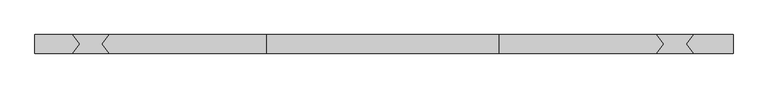
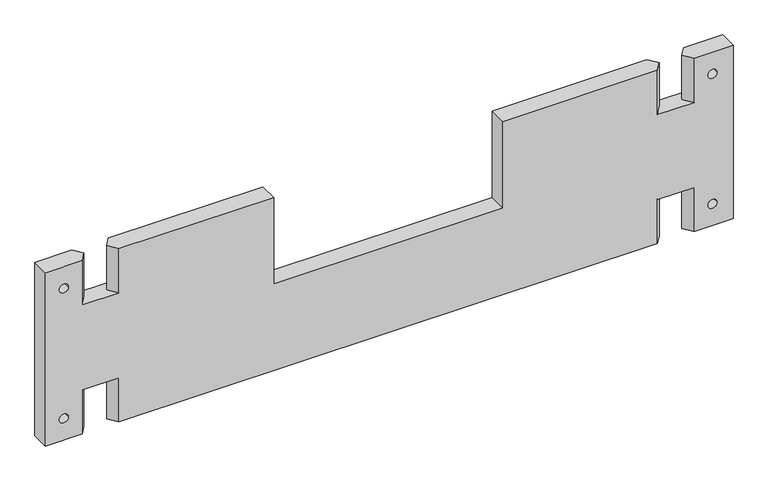
"""IFC4 building model written with IfcOpenShell, lengths in millimetres: proxy geometry."""

from ifc_helpers import new_model, si_unit, frame, origin, place, context, project, spatial, polyline, circle_curve, source, transform, mapped, element, save
from ifc_brep_helpers import plane_surface, revolved_surface, advanced_brep


def generic_models_ea66bd3d(model_context):
    return source(origin(), model_context, "Body", "AdvancedBrep", [
        advanced_brep(
        [(-747.5379144, 20.0, 400.0), (-747.5379144, -20.0, 400.0), (-667.5379144, -20.0, 400.0), (-652.4668334, 0.0, 400.0), (-667.5379144, 20.0, 400.0), (752.4620856, -20.0, 400.0), (752.4620856, 20.0, 400.0), (667.5379144, 20.0, 400.0), (652.4668334, 0.0, 400.0), (667.5379144, -20.0, 400.0), (-602.6089954, 0.0, 400.0), (-587.5379144, -20.0, 400.0), (-250.0, -20.0, 400.0), (-250.0, 20.0, 400.0), (-587.5379144, 20.0, 400.0), (587.5379144, -20.0, 400.0), (602.6089954, 0.0, 400.0), (587.5379144, 20.0, 400.0), (250.0, 20.0, 400.0), (250.0, -20.0, 400.0), (752.4620856, 20.0, 0.0), (752.4620856, -20.0, 0.0), (667.5379144, -20.0, 0.0), (652.4668334, 0.0, 0.0), (667.5379144, 20.0, 0.0), (-747.5379144, -20.0, 0.0), (-747.5379144, 20.0, 0.0), (-667.5379144, 20.0, 0.0), (-652.4668334, 0.0, 0.0), (-667.5379144, -20.0, 0.0), (-587.5379144, -20.0, 0.0), (-602.6089954, 0.0, 0.0), (-587.5379144, 20.0, 0.0), (587.5379144, 20.0, 0.0), (602.6089954, 0.0, 0.0), (587.5379144, -20.0, 0.0), (667.5379144, 20.0, 102.0), (587.5379144, 20.0, 102.0), (-587.5379144, 20.0, 102.0), (-667.5379144, 20.0, 102.0), (-667.5379144, 20.0, 298.0), (-587.5379144, 20.0, 298.0), (-250.0, 20.0, 200.0), (250.0, 20.0, 200.0), (587.5379144, 20.0, 298.0), (667.5379144, 20.0, 298.0), (-717.5379144, 20.0, 50.0), (-697.5379144, 20.0, 50.0), (697.5379144, 20.0, 50.0), (717.5379144, 20.0, 50.0), (-697.5379144, 20.0, 350.0), (-717.5379144, 20.0, 350.0), (717.5379144, 20.0, 350.0), (697.5379144, 20.0, 350.0), (-667.5379144, -20.0, 102.0), (-587.5379144, -20.0, 102.0), (587.5379144, -20.0, 102.0), (667.5379144, -20.0, 102.0), (667.5379144, -20.0, 298.0), (587.5379144, -20.0, 298.0), (250.0, -20.0, 200.0), (-250.0, -20.0, 200.0), (-587.5379144, -20.0, 298.0), (-667.5379144, -20.0, 298.0), (-697.5379144, -20.0, 50.0), (-717.5379144, -20.0, 50.0), (717.5379144, -20.0, 50.0), (697.5379144, -20.0, 50.0), (-717.5379144, -20.0, 350.0), (-697.5379144, -20.0, 350.0), (697.5379144, -20.0, 350.0), (717.5379144, -20.0, 350.0), (-602.6089954, 0.0, 102.0), (-652.4668334, 0.0, 102.0), (652.4668334, 0.0, 102.0), (602.6089954, 0.0, 102.0), (-652.4668334, 0.0, 298.0), (-602.6089954, 0.0, 298.0), (602.6089954, 0.0, 298.0), (652.4668334, 0.0, 298.0)],
        [
            (0, 1),
            (1, 2),
            (2, 3),
            (3, 4),
            (4, 0),
            (5, 6),
            (6, 7),
            (7, 8),
            (8, 9),
            (9, 5),
            (10, 11),
            (11, 12),
            (12, 13),
            (13, 14),
            (14, 10),
            (15, 16),
            (16, 17),
            (17, 18),
            (18, 19),
            (19, 15),
            (20, 21),
            (21, 22),
            (22, 23),
            (23, 24),
            (24, 20),
            (25, 26),
            (26, 27),
            (27, 28),
            (28, 29),
            (29, 25),
            (30, 31),
            (31, 32),
            (32, 33),
            (33, 34),
            (34, 35),
            (35, 30),
            (6, 20),
            (24, 36),
            (36, 37),
            (37, 33),
            (32, 38),
            (38, 39),
            (39, 27),
            (26, 0),
            (4, 40),
            (40, 41),
            (41, 14),
            (13, 42),
            (42, 43),
            (43, 18),
            (17, 44),
            (44, 45),
            (45, 7),
            (46, 47, circle_curve(frame((-707.5379144, 20.0, 50.0), z_axis=(0.0, -1.0, 0.0), x_axis=(1.0, 0.0, 0.0)), 10.0)),
            (47, 46, circle_curve(frame((-707.5379144, 20.0, 50.0), z_axis=(0.0, -1.0, 0.0), x_axis=(1.0, 0.0, 0.0)), 10.0)),
            (48, 49, circle_curve(frame((707.5379144, 20.0, 50.0), z_axis=(0.0, -1.0, 0.0), x_axis=(-1.0, 0.0, 0.0)), 10.0)),
            (49, 48, circle_curve(frame((707.5379144, 20.0, 50.0), z_axis=(0.0, -1.0, 0.0), x_axis=(-1.0, 0.0, 0.0)), 10.0)),
            (50, 51, circle_curve(frame((-707.5379144, 20.0, 350.0), z_axis=(0.0, -1.0, 0.0), x_axis=(1.0, 0.0, 0.0)), 10.0)),
            (51, 50, circle_curve(frame((-707.5379144, 20.0, 350.0), z_axis=(0.0, -1.0, 0.0), x_axis=(1.0, 0.0, 0.0)), 10.0)),
            (52, 53, circle_curve(frame((707.5379144, 20.0, 350.0), z_axis=(0.0, -1.0, 0.0), x_axis=(-1.0, 0.0, 0.0)), 10.0)),
            (53, 52, circle_curve(frame((707.5379144, 20.0, 350.0), z_axis=(0.0, -1.0, 0.0), x_axis=(-1.0, 0.0, 0.0)), 10.0)),
            (25, 1),
            (29, 54),
            (54, 55),
            (55, 30),
            (35, 56),
            (56, 57),
            (57, 22),
            (21, 5),
            (9, 58),
            (58, 59),
            (59, 15),
            (19, 60),
            (60, 61),
            (61, 12),
            (11, 62),
            (62, 63),
            (63, 2),
            (64, 65, circle_curve(frame((-707.5379144, -20.0, 50.0), z_axis=(0.0, 1.0, 0.0), x_axis=(1.0, 0.0, 0.0)), 10.0)),
            (65, 64, circle_curve(frame((-707.5379144, -20.0, 50.0), z_axis=(0.0, 1.0, 0.0), x_axis=(1.0, 0.0, 0.0)), 10.0)),
            (66, 67, circle_curve(frame((707.5379144, -20.0, 50.0), z_axis=(0.0, 1.0, 0.0), x_axis=(-1.0, 0.0, 0.0)), 10.0)),
            (67, 66, circle_curve(frame((707.5379144, -20.0, 50.0), z_axis=(0.0, 1.0, 0.0), x_axis=(-1.0, 0.0, 0.0)), 10.0)),
            (68, 69, circle_curve(frame((-707.5379144, -20.0, 350.0), z_axis=(0.0, 1.0, 0.0), x_axis=(1.0, 0.0, 0.0)), 10.0)),
            (69, 68, circle_curve(frame((-707.5379144, -20.0, 350.0), z_axis=(0.0, 1.0, 0.0), x_axis=(1.0, 0.0, 0.0)), 10.0)),
            (70, 71, circle_curve(frame((707.5379144, -20.0, 350.0), z_axis=(0.0, 1.0, 0.0), x_axis=(-1.0, 0.0, 0.0)), 10.0)),
            (71, 70, circle_curve(frame((707.5379144, -20.0, 350.0), z_axis=(0.0, 1.0, 0.0), x_axis=(-1.0, 0.0, 0.0)), 10.0)),
            (38, 72),
            (72, 55),
            (54, 73),
            (73, 39),
            (73, 28),
            (72, 31),
            (36, 74),
            (74, 57),
            (56, 75),
            (75, 37),
            (23, 74),
            (34, 75),
            (40, 76),
            (76, 63),
            (62, 77),
            (77, 41),
            (3, 76),
            (10, 77),
            (44, 78),
            (78, 59),
            (58, 79),
            (79, 45),
            (79, 8),
            (78, 16),
            (64, 47),
            (46, 65),
            (66, 49),
            (48, 67),
            (68, 51),
            (50, 69),
            (70, 53),
            (52, 71),
            (43, 60),
            (61, 42),
        ],
        [
            plane_surface(frame((-747.5379144, 20.0, 400.0), z_axis=(0.0, 0.0, 1.0), x_axis=(-1.0, 0.0, 0.0))),
            plane_surface(frame((-747.5379144, 20.0, 0.0), z_axis=(0.0, 0.0, -1.0), x_axis=(1.0, 0.0, 0.0))),
            plane_surface(frame((752.4620856, 20.0, 400.0), z_axis=(0.0, 1.0, 0.0), x_axis=(0.0, 0.0, -1.0))),
            plane_surface(frame((-747.5379144, 20.0, 400.0), z_axis=(-1.0, 0.0, 0.0), x_axis=(0.0, 0.0, -1.0))),
            plane_surface(frame((-747.5379144, -20.0, 400.0), z_axis=(0.0, -1.0, 0.0), x_axis=(0.0, 0.0, -1.0))),
            plane_surface(frame((752.4620856, -20.0, 400.0), z_axis=(1.0, 0.0, 0.0), x_axis=(0.0, 0.0, -1.0))),
            plane_surface(frame((-667.5379144, 20.0, 102.0), z_axis=(0.0, 0.0, -1.0), x_axis=(-1.0, 0.0, 0.0))),
            plane_surface(frame((-667.5379144, 20.0, 102.0), z_axis=(0.7986355100472906, 0.6018150231520514, 0.0), x_axis=(0.0, 0.0, -1.0))),
            plane_surface(frame((-652.4668334, 0.0, 102.0), z_axis=(0.7986355100472912, -0.6018150231520506, 0.0), x_axis=(0.0, 0.0, -1.0))),
            plane_surface(frame((-587.5379144, -20.0, 102.0), z_axis=(-0.7986355100472906, -0.6018150231520514, 0.0), x_axis=(0.0, 0.0, -1.0))),
            plane_surface(frame((-602.6089954, 0.0, 102.0), z_axis=(-0.7986355100472912, 0.6018150231520506, 0.0), x_axis=(0.0, 0.0, -1.0))),
            plane_surface(frame((587.5379144, 20.0, 102.0), z_axis=(0.0, 0.0, -1.0), x_axis=(0.6018150231520506, -0.7986355100472912, 0.0))),
            plane_surface(frame((652.4668334, 0.0, 102.0), z_axis=(-0.7986355100472906, 0.6018150231520514, 0.0), x_axis=(0.0, 0.0, -1.0))),
            plane_surface(frame((667.5379144, -20.0, 102.0), z_axis=(-0.7986355100472912, -0.6018150231520506, 0.0), x_axis=(0.0, 0.0, -1.0))),
            plane_surface(frame((602.6089954, 0.0, 102.0), z_axis=(0.7986355100472906, -0.6018150231520514, 0.0), x_axis=(0.0, 0.0, -1.0))),
            plane_surface(frame((587.5379144, 20.0, 102.0), z_axis=(0.7986355100472912, 0.6018150231520506, 0.0), x_axis=(0.0, 0.0, -1.0))),
            plane_surface(frame((-667.5379144, 20.0, 298.0), z_axis=(0.0, 0.0, 1.0), x_axis=(1.0, 0.0, 0.0))),
            plane_surface(frame((-667.5379144, 20.0, 400.0), z_axis=(0.7986355100472906, 0.6018150231520514, 0.0), x_axis=(0.0, 0.0, -1.0))),
            plane_surface(frame((-652.4668334, 0.0, 400.0), z_axis=(0.7986355100472912, -0.6018150231520506, 0.0), x_axis=(0.0, 0.0, -1.0))),
            plane_surface(frame((-587.5379144, -20.0, 400.0), z_axis=(-0.7986355100472906, -0.6018150231520514, 0.0), x_axis=(0.0, 0.0, -1.0))),
            plane_surface(frame((-602.6089954, 0.0, 400.0), z_axis=(-0.7986355100472912, 0.6018150231520506, 0.0), x_axis=(0.0, 0.0, -1.0))),
            plane_surface(frame((587.5379144, 20.0, 298.0), z_axis=(0.0, 0.0, 1.0), x_axis=(-0.6018150231520506, 0.7986355100472912, 0.0))),
            plane_surface(frame((652.4668334, 0.0, 400.0), z_axis=(-0.7986355100472906, 0.6018150231520514, 0.0), x_axis=(0.0, 0.0, -1.0))),
            plane_surface(frame((667.5379144, -20.0, 400.0), z_axis=(-0.7986355100472912, -0.6018150231520506, 0.0), x_axis=(0.0, 0.0, -1.0))),
            plane_surface(frame((602.6089954, 0.0, 400.0), z_axis=(0.7986355100472906, -0.6018150231520514, 0.0), x_axis=(0.0, 0.0, -1.0))),
            plane_surface(frame((587.5379144, 20.0, 400.0), z_axis=(0.7986355100472912, 0.6018150231520506, 0.0), x_axis=(0.0, 0.0, -1.0))),
            revolved_surface(polyline([(-697.5379144, -20.0, 50.0), (-697.5379144, 20.0, 50.0)]), (-707.5379144, 20.0, 50.0), (0.0, -1.0, 0.0)),
            revolved_surface(polyline([(697.5379144, -20.0, 50.0), (697.5379144, 20.0, 50.0)]), (707.5379144, 20.0, 50.0), (0.0, -1.0, 0.0)),
            revolved_surface(polyline([(-697.5379144, -20.0, 350.0), (-697.5379144, 20.0, 350.0)]), (-707.5379144, 20.0, 350.0), (0.0, -1.0, 0.0)),
            revolved_surface(polyline([(697.5379144, -20.0, 350.0), (697.5379144, 20.0, 350.0)]), (707.5379144, 20.0, 350.0), (0.0, -1.0, 0.0)),
            plane_surface(frame((250.0, -20.0, 400.0), z_axis=(-1.0, 0.0, 0.0), x_axis=(0.0, 0.0, -1.0))),
            plane_surface(frame((-250.0, 20.0, 400.0), z_axis=(1.0, 0.0, 0.0), x_axis=(0.0, 0.0, -1.0))),
            plane_surface(frame((250.0, 20.0, 200.0), z_axis=(0.0, 0.0, 1.0), x_axis=(0.0, -1.0, 0.0))),
        ],
        [
            (0, [[1, 2, 3, 4, 5]]),
            (0, [[6, 7, 8, 9, 10]]),
            (0, [[11, 12, 13, 14, 15]]),
            (0, [[16, 17, 18, 19, 20]]),
            (1, [[21, 22, 23, 24, 25]]),
            (1, [[26, 27, 28, 29, 30]]),
            (1, [[31, 32, 33, 34, 35, 36]]),
            (2, [[37, -25, 38, 39, 40, -33, 41, 42, 43, -27, 44, -5, 45, 46, 47, -14, 48, 49, 50, -18, 51, 52, 53, -7], [54, 55], [56, 57], [58, 59], [60, 61]]),
            (3, [[-1, -44, -26, 62]]),
            (4, [[-62, -30, 63, 64, 65, -36, 66, 67, 68, -22, 69, -10, 70, 71, 72, -20, 73, 74, 75, -12, 76, 77, 78, -2], [79, 80], [81, 82], [83, 84], [85, 86]]),
            (5, [[-6, -69, -21, -37]]),
            (6, [[87, 88, -64, 89, 90, -42]]),
            (7, [[-90, 91, -28, -43]]),
            (8, [[-89, -63, -29, -91]]),
            (9, [[-88, 92, -31, -65]]),
            (10, [[-87, -41, -32, -92]]),
            (11, [[93, 94, -67, 95, 96, -39]]),
            (12, [[-93, -38, -24, 97]]),
            (13, [[-94, -97, -23, -68]]),
            (14, [[-95, -66, -35, 98]]),
            (15, [[-96, -98, -34, -40]]),
            (16, [[99, 100, -77, 101, 102, -46]]),
            (17, [[-99, -45, -4, 103]]),
            (18, [[-100, -103, -3, -78]]),
            (19, [[-101, -76, -11, 104]]),
            (20, [[-102, -104, -15, -47]]),
            (21, [[105, 106, -71, 107, 108, -52]]),
            (22, [[-108, 109, -8, -53]]),
            (23, [[-107, -70, -9, -109]]),
            (24, [[-106, 110, -16, -72]]),
            (25, [[-105, -51, -17, -110]]),
            (26, [[111, -54, 112, -79]]),
            (26, [[-111, -80, -112, -55]]),
            (27, [[113, -56, 114, -81]]),
            (27, [[-113, -82, -114, -57]]),
            (28, [[115, -58, 116, -83]]),
            (28, [[-115, -84, -116, -59]]),
            (29, [[117, -60, 118, -85]]),
            (29, [[-117, -86, -118, -61]]),
            (30, [[119, -73, -19, -50]]),
            (31, [[120, -48, -13, -75]]),
            (32, [[-119, -49, -120, -74]]),
        ],
    ),
    ])


if __name__ == "__main__":
    model = new_model("IFC4")
    model_context = context("Model", 3, world=origin())
    ifc_project = project(units=[si_unit("LENGTHUNIT", "METRE", prefix="MILLI")], contexts=[model_context])
    site = spatial("IfcSite", under=ifc_project)
    building = spatial("IfcBuilding", under=site)
    placement = place(None, origin())
    generic_models_shape = generic_models_ea66bd3d(model_context)
    element("IfcBuildingElementProxy", 1, Name="Generic Models", at=placement, inside=building, context=model_context, shape_type="MappedRepresentation", body=[
        mapped(generic_models_shape, transform((0.0, 0.0, 0.0), x_axis=(1.0, 0.0, 0.0), y_axis=(0.0, 1.0, 0.0), z_axis=(0.0, 0.0, 1.0))),
    ])
    save(model, "model.ifc")
